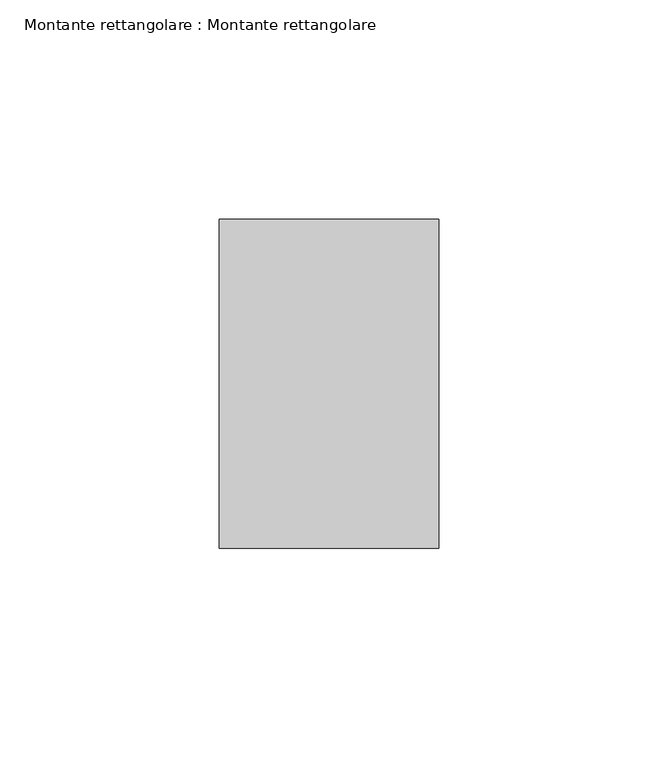
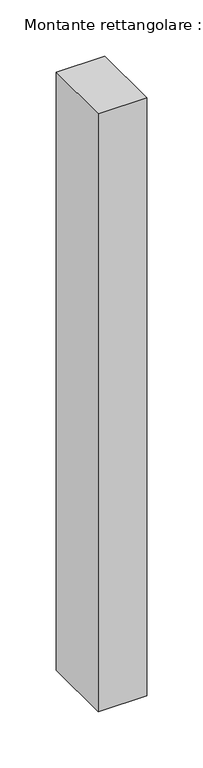
"""IFC4 building model written with IfcOpenShell, lengths in millimetres: member geometry, Montante rettangolare : Montante rettangolare."""

from ifc_helpers import new_model, si_unit, frame, origin, place, context, project, spatial, polyline, outline, extrude, source, transform, mapped, element, save


def montante_rettangolare_montante_rettangolare_312c6d8d(model_context):
    return source(origin(), model_context, "Body", "SweptSolid", [
        extrude(outline(polyline([(25.0, 37.5), (25.0, -37.5), (-25.0, -37.5), (-25.0, 37.5), (25.0, 37.5)])), frame((0.0, 0.0, -651.3738132), z_axis=(0.0, 0.0, 1.0), x_axis=(1.0, 0.0, 0.0)), (0.0, 0.0, 1.0), 651.3738132),
    ])


if __name__ == "__main__":
    model = new_model("IFC4")
    model_context = context("Model", 3, world=origin())
    ifc_project = project(units=[si_unit("LENGTHUNIT", "METRE", prefix="MILLI")], contexts=[model_context])
    site = spatial("IfcSite", under=ifc_project)
    building = spatial("IfcBuilding", under=site)
    placement = place(None, origin())
    montante_rettangolare_montante_rettangolare_shape = montante_rettangolare_montante_rettangolare_312c6d8d(model_context)
    element("IfcMember", 1, ObjectType="Montante rettangolare : Montante rettangolare", at=placement, inside=building, context=model_context, shape_type="MappedRepresentation", body=[
        mapped(montante_rettangolare_montante_rettangolare_shape, transform((0.0, 0.0, 0.0), x_axis=(1.0, 0.0, 0.0), y_axis=(0.0, 1.0, 0.0), z_axis=(0.0, 0.0, 1.0))),
    ])
    save(model, "model.ifc")
